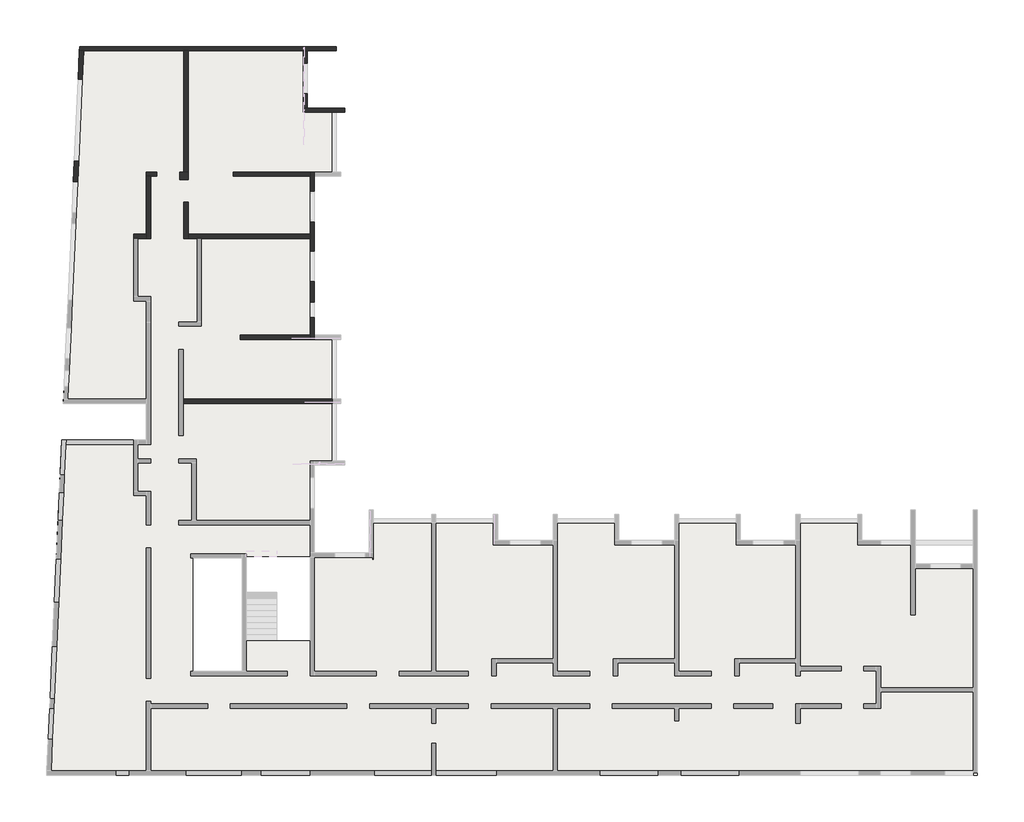
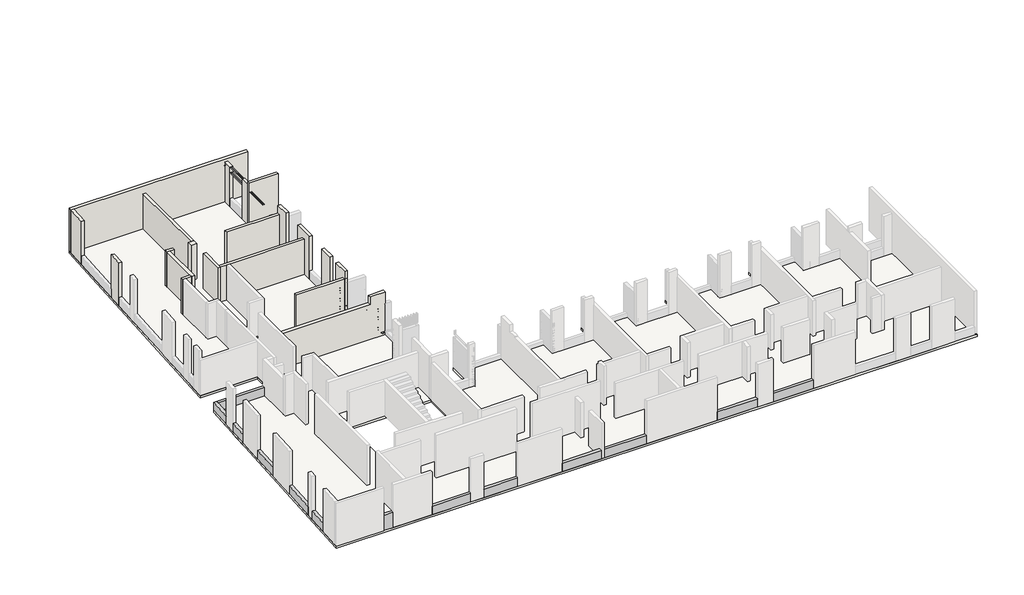
# One storey, part 3 of 7: 20 walls, 13 beams, 1 slab.
"""IFC4 building model written with IfcOpenShell, lengths in millimetres."""

from ifc_helpers import new_model, si_unit, frame, origin, place, context, project, spatial, polyline, outline, extrude, faceted_brep, element, save

model = new_model("IFC4")

# Units and contexts
model_context = context("Model", 3, world=origin())
ifc_project = project(units=[si_unit("LENGTHUNIT", "METRE", prefix="MILLI")], contexts=[model_context])

# Site, building, storey
site = spatial("IfcSite", under=ifc_project)
building = spatial("IfcBuilding", under=site)
storey = spatial("IfcBuildingStorey", under=building, Elevation=19880.0)

# Beams
placement = place(None, origin())
element("IfcBeam", 1, ObjectType="VI. 20/125", at=placement, inside=storey, context=model_context, shape_type="SweptSolid", body=[
    extrude(outline(polyline([(-38350.6912908, -16419.0672499), (-38350.6912908, -16219.0672499), (-37760.6912908, -16219.0672499), (-37760.6912908, -16419.0672499), (-38350.6912908, -16419.0672499)])), frame((0.0, 0.0, 19880.0), z_axis=(0.0, 0.0, 1.0), x_axis=(1.0, 0.0, 0.0)), (0.0, 0.0, 1.0), 1100.0),
])
element("IfcBeam", 2, ObjectType="VI. 20/75", at=placement, inside=storey, context=model_context, shape_type="SweptSolid", body=[
    extrude(outline(polyline([(-41467.4470985, -13297.689544), (-41267.6525789, -13306.7532049), (-41332.9109371, -14745.2737458), (-41532.7054566, -14736.2100849), (-41467.4470985, -13297.689544)])), frame((0.0, 0.0, 19880.0), z_axis=(0.0, 0.0, 1.0), x_axis=(1.0, 0.0, 0.0)), (0.0, 0.0, 1.0), 600.0),
])
element("IfcBeam", 3, ObjectType="VI. 20/75", at=placement, inside=storey, context=model_context, shape_type="SweptSolid", body=[
    extrude(outline(polyline([(-41246.1263843, -12832.2412209), (-41445.9209039, -12823.17756), (-41334.8458454, -10374.6980441), (-41135.0513258, -10383.7617049), (-41246.1263843, -12832.2412209)])), frame((0.0, 0.0, 19880.0), z_axis=(0.0, 0.0, 1.0), x_axis=(1.0, 0.0, 0.0)), (0.0, 0.0, 1.0), 600.0),
])
element("IfcBeam", 4, ObjectType="VI. 20/75", at=placement, inside=storey, context=model_context, shape_type="SweptSolid", body=[
    extrude(outline(polyline([(-41149.2673893, -6283.9052558), (-40949.4728698, -6292.9689167), (-41041.9222105, -8330.8730163), (-41241.7167301, -8321.8093555), (-41149.2673893, -6283.9052558)])), frame((0.0, 0.0, 19880.0), z_axis=(0.0, 0.0, 1.0), x_axis=(1.0, 0.0, 0.0)), (0.0, 0.0, 1.0), 600.0),
])
element("IfcBeam", 5, ObjectType="VI. 20/75", at=placement, inside=storey, context=model_context, shape_type="Brep", body=[
    faceted_brep([(-40807.7955758, -3171.182161, 19730.0), (-41007.5900954, -3162.1185002, 19730.0), (-41007.5900954, -3162.1185002, 19880.0), (-41007.5900954, -3162.1185002, 20480.0), (-40807.7955758, -3171.182161, 20480.0), (-40807.7955758, -3171.182161, 19880.0), (-40867.389146, -4484.8311272, 20480.0), (-41067.1836655, -4475.7674664, 20480.0), (-41067.1836655, -4475.7674664, 19730.0), (-40867.389146, -4484.8311272, 19730.0)], [[[0, 1, 2, 3, 4, 5]], [[6, 7, 8, 9]], [[6, 9, 0, 5, 4]], [[1, 0, 9, 8]], [[8, 7, 3, 2, 1]], [[4, 3, 7, 6]]]),
])
element("IfcBeam", 6, ObjectType="VI. 20/75", at=placement, inside=storey, context=model_context, shape_type="Brep", body=[
    faceted_brep([(-40970.0334959, -2332.9686312, 19730.0), (-40770.2389763, -2342.0322921, 19730.0), (-40770.2389763, -2342.0322921, 19880.0), (-40770.2389763, -2342.0322921, 20480.0), (-40970.0334959, -2332.9686312, 20480.0), (-40970.0334959, -2332.9686312, 19880.0), (-40896.5921767, -714.0672499, 20480.0), (-40896.5921767, -714.0672499, 19730.0), (-40696.3864849, -714.0672499, 19730.0), (-40696.3864849, -714.0672499, 19880.0), (-40696.3864849, -714.0672499, 20480.0), (-40705.4594674, -914.0672499, 20480.0)], [[[0, 1, 2, 3, 4, 5]], [[5, 4, 6, 7, 0]], [[1, 0, 7, 8]], [[2, 1, 8, 9, 10, 11, 3]], [[4, 3, 11, 10, 6]], [[7, 6, 10, 9, 8]]]),
])
element("IfcBeam", 7, ObjectType="VI. 20/75", at=placement, inside=storey, context=model_context, shape_type="SweptSolid", body=[
    extrude(outline(polyline([(-32455.6912908, -16219.0672499), (-32455.6912908, -16419.0672499), (-35095.6912908, -16419.0672499), (-35095.6912908, -16219.0672499), (-32455.6912908, -16219.0672499)])), frame((0.0, 0.0, 19880.0), z_axis=(0.0, 0.0, 1.0), x_axis=(1.0, 0.0, 0.0)), (0.0, 0.0, 1.0), 600.0),
])
element("IfcBeam", 8, ObjectType="VI. 20/75", at=placement, inside=storey, context=model_context, shape_type="SweptSolid", body=[
    extrude(outline(polyline([(-29265.6912908, -16219.0672499), (-29265.6912908, -16419.0672499), (-31585.6912908, -16419.0672499), (-31585.6912908, -16219.0672499), (-29265.6912908, -16219.0672499)])), frame((0.0, 0.0, 19880.0), z_axis=(0.0, 0.0, 1.0), x_axis=(1.0, 0.0, 0.0)), (0.0, 0.0, 1.0), 600.0),
])
element("IfcBeam", 9, ObjectType="VI. 20/75", at=placement, inside=storey, context=model_context, shape_type="SweptSolid", body=[
    extrude(outline(polyline([(-23575.6912908, -16219.0672499), (-23575.6912908, -16419.0672499), (-26255.6912908, -16419.0672499), (-26255.6912908, -16219.0672499), (-23575.6912908, -16219.0672499)])), frame((0.0, 0.0, 19880.0), z_axis=(0.0, 0.0, 1.0), x_axis=(1.0, 0.0, 0.0)), (0.0, 0.0, 1.0), 600.0),
])
element("IfcBeam", 10, ObjectType="VI. 20/75", at=placement, inside=storey, context=model_context, shape_type="SweptSolid", body=[
    extrude(outline(polyline([(-20515.6912908, -16219.0672499), (-20515.6912908, -16419.0672499), (-23375.6912908, -16419.0672499), (-23375.6912908, -16219.0672499), (-20515.6912908, -16219.0672499)])), frame((0.0, 0.0, 19880.0), z_axis=(0.0, 0.0, 1.0), x_axis=(1.0, 0.0, 0.0)), (0.0, 0.0, 1.0), 600.0),
])
element("IfcBeam", 11, ObjectType="VI. 20/75", at=placement, inside=storey, context=model_context, shape_type="SweptSolid", body=[
    extrude(outline(polyline([(-15705.6912908, -16419.0672499), (-15705.6912908, -16219.0672499), (-12965.6912908, -16219.0672499), (-12965.6912908, -16419.0672499), (-15705.6912908, -16419.0672499)])), frame((0.0, 0.0, 19880.0), z_axis=(0.0, 0.0, 1.0), x_axis=(1.0, 0.0, 0.0)), (0.0, 0.0, 1.0), 600.0),
])
element("IfcBeam", 12, ObjectType="VI. 20/75", at=placement, inside=storey, context=model_context, shape_type="SweptSolid", body=[
    extrude(outline(polyline([(-11895.6912908, -16419.0672499), (-11895.6912908, -16219.0672499), (-9155.6912908, -16219.0672499), (-9155.6912908, -16419.0672499), (-11895.6912908, -16419.0672499)])), frame((0.0, 0.0, 19880.0), z_axis=(0.0, 0.0, 1.0), x_axis=(1.0, 0.0, 0.0)), (0.0, 0.0, 1.0), 600.0),
])
element("IfcBeam", 13, ObjectType="VI. 20/75", at=placement, inside=storey, context=model_context, shape_type="SweptSolid", body=[
    extrude(outline(polyline([(-37535.6912908, -714.0672499), (-37535.6912908, -914.0672499), (-40705.4594674, -914.0672499), (-40696.3864849, -714.0672499), (-37535.6912908, -714.0672499)])), frame((0.0, 0.0, 19880.0), z_axis=(0.0, 0.0, 1.0), x_axis=(1.0, 0.0, 0.0)), (0.0, 0.0, 1.0), 600.0),
])

# Slab
element("IfcSlab", 14, ObjectType="LHA15", at=placement, inside=storey, context=model_context, shape_type="Brep", body=[
    faceted_brep([(-40059.8363693, 17730.9327501, 19730.0), (-40059.8363693, 17730.9327501, 19880.0), (-29395.6912908, 17730.9327501, 19880.0), (-29395.6912908, 17730.9327501, 19730.0), (-29395.6912908, 16950.9327501, 19880.0), (-29395.6912908, 15510.9327501, 19880.0), (-29395.6912908, 14850.8982988, 19880.0), (-29395.6912908, 14850.8982988, 19730.0), (-27635.6912908, 14850.8982988, 19880.0), (-27635.6912908, 14850.8982988, 19730.0), (-28035.6912908, 14650.9327501, 19730.0), (-28035.6912908, 14650.9327501, 19880.0), (-28035.6912908, 11850.9327501, 19880.0), (-28035.6912908, 11850.9327501, 19730.0), (-27835.6912908, 11650.9327501, 19730.0), (-27835.6912908, 11650.9327501, 19880.0), (-29065.6912908, 11650.9327501, 19880.0), (-29065.6912908, 11650.9327501, 19730.0), (-29065.6912908, 10925.9327501, 19880.0), (-29065.6912908, 9535.9327501, 19880.0), (-29065.6912908, 8150.9327501, 19880.0), (-29065.6912908, 6710.9327501, 19880.0), (-29065.6912908, 5760.9327501, 19880.0), (-29065.6912908, 5020.9327501, 19880.0), (-29065.6912908, 4200.9327501, 19880.0), (-29065.6912908, 4200.9327501, 19730.0), (-27835.6912908, 4200.9327501, 19880.0), (-27835.6912908, 4200.9327501, 19730.0), (-28035.6912908, 1000.9327501, 19730.0), (-28035.6912908, 1000.9327501, 19880.0), (-28035.6912908, -1689.5482142, 19880.0), (-28035.6912908, -1689.5482142, 19730.0), (-29065.6912908, -1889.5482142, 19730.0), (-29065.6912908, -1889.5482142, 19880.0), (-29065.6912908, -2469.0672499, 19880.0), (-29065.6912908, -3909.0672499, 19880.0), (-29065.6912908, -6004.0672499, 19880.0), (-29065.6912908, -6004.0672499, 19730.0), (-28115.6912908, -6004.0672499, 19880.0), (-26675.6912908, -6004.0672499, 19880.0), (-26495.6912908, -6004.0672499, 19880.0), (-26495.6912908, -6004.0672499, 19730.0), (-26495.6912908, -3999.0672499, 19880.0), (-26495.6912908, -3999.0672499, 19730.0), (-26295.6912908, -4399.0672499, 19730.0), (-26295.6912908, -4399.0672499, 19880.0), (-23575.6912908, -4399.0672499, 19880.0), (-23575.6912908, -4399.0672499, 19730.0), (-20485.6912908, -4199.0672499, 19730.0), (-20485.6912908, -4199.0672499, 19880.0), (-20485.6912908, -5419.0672499, 19880.0), (-20485.6912908, -5419.0672499, 19730.0), (-19905.6912908, -5419.0672499, 19880.0), (-18465.6912908, -5419.0672499, 19880.0), (-17885.6912908, -5419.0672499, 19880.0), (-17885.6912908, -5419.0672499, 19730.0), (-17885.6912908, -4199.0672499, 19880.0), (-17885.6912908, -4199.0672499, 19730.0), (-17685.6912908, -4399.0672499, 19730.0), (-17685.6912908, -4399.0672499, 19880.0), (-14995.6912908, -4399.0672499, 19880.0), (-14995.6912908, -4399.0672499, 19730.0), (-14795.6912908, -4199.0672499, 19730.0), (-14795.6912908, -4199.0672499, 19880.0), (-14795.6912908, -5419.0672499, 19880.0), (-14795.6912908, -5419.0672499, 19730.0), (-14215.6912908, -5419.0672499, 19880.0), (-12775.6912908, -5419.0672499, 19880.0), (-12195.6912908, -5419.0672499, 19880.0), (-12195.6912908, -5419.0672499, 19730.0), (-12195.6912908, -4199.0672499, 19880.0), (-12195.6912908, -4199.0672499, 19730.0), (-11995.6912908, -4399.0672499, 19730.0), (-11995.6912908, -4399.0672499, 19880.0), (-9305.6912908, -4399.0672499, 19880.0), (-9305.6912908, -4399.0672499, 19730.0), (-9105.6912908, -4199.0672499, 19730.0), (-9105.6912908, -4199.0672499, 19880.0), (-9105.6912908, -5419.0672499, 19880.0), (-9105.6912908, -5419.0672499, 19730.0), (-8525.6912908, -5419.0672499, 19880.0), (-7085.6912908, -5419.0672499, 19880.0), (-6505.6912908, -5419.0672499, 19880.0), (-6505.6912908, -5419.0672499, 19730.0), (-6505.6912908, -4199.0672499, 19880.0), (-6505.6912908, -4199.0672499, 19730.0), (-6305.6912908, -4399.0672499, 19730.0), (-6305.6912908, -4399.0672499, 19880.0), (-3615.6912908, -4399.0672499, 19880.0), (-3615.6912908, -4399.0672499, 19730.0), (-3415.6912908, -4199.0672499, 19730.0), (-3415.6912908, -4199.0672499, 19880.0), (-3415.6912908, -5419.0672499, 19880.0), (-3415.6912908, -5419.0672499, 19730.0), (-2545.6912908, -5419.0672499, 19880.0), (-1125.6912908, -5419.0672499, 19880.0), (-925.6912908, -5419.0672499, 19880.0), (-925.6912908, -5419.0672499, 19730.0), (-925.6912908, -6519.0672499, 19880.0), (-925.6912908, -6519.0672499, 19730.0), (-925.6912908, -5619.0672499, 19730.0), (-200.6912908, -6519.0672499, 19880.0), (1189.3087092, -6519.0672499, 19880.0), (1994.3087092, -6519.0672499, 19880.0), (1994.3087092, -6519.0672499, 19730.0), (1994.3087092, -16419.0672499, 19880.0), (1994.3087092, -16419.0672499, 19730.0), (-32245.6912908, -10104.0672499, 19730.0), (-32245.6912908, -10104.0672499, 19880.0), (-29265.6912908, -10104.0672499, 19880.0), (-29265.6912908, -10104.0672499, 19730.0), (-29265.6912908, -6184.0672499, 19880.0), (-29265.6912908, -6184.0672499, 19730.0), (-32245.6912908, -6184.0672499, 19880.0), (-32245.6912908, -6184.0672499, 19730.0), (-32245.6912908, -6244.0672499, 19880.0), (-32245.6912908, -6244.0672499, 19730.0), (-34745.6912908, -6244.0672499, 19880.0), (-34745.6912908, -6244.0672499, 19730.0), (-34745.6912908, -11559.0672499, 19880.0), (-34745.6912908, -11559.0672499, 19730.0), (-32245.6912908, -11559.0672499, 19880.0), (-32245.6912908, -11559.0672499, 19730.0), (-27635.6912908, -1889.5482142, 19730.0), (-27635.6912908, -1889.5482142, 19880.0), (-3615.6912908, -4199.0672499, 19880.0), (-6305.6912908, -4199.0672499, 19880.0), (-9305.6912908, -4199.0672499, 19880.0), (-11995.6912908, -4199.0672499, 19880.0), (-14995.6912908, -4199.0672499, 19880.0), (-17685.6912908, -4199.0672499, 19880.0), (-20685.6912908, -4199.0672499, 19880.0), (-20685.6912908, -4399.0672499, 19880.0), (-23375.6912908, -4399.0672499, 19880.0), (-23375.6912908, -4199.0672499, 19880.0), (-23575.6912908, -4199.0672499, 19880.0), (-26295.6912908, -3999.0672499, 19880.0), (-27635.6912908, -1689.5482142, 19880.0), (-27835.6912908, 1000.9327501, 19880.0), (-27835.6912908, 1200.9327501, 19880.0), (-28035.6912908, 1200.9327501, 19880.0), (-28035.6912908, 4000.9327501, 19880.0), (-27835.6912908, 4000.9327501, 19880.0), (-27835.6912908, 11850.9327501, 19880.0), (-27635.6912908, 14650.9327501, 19880.0), (-40129.6522242, 16191.9491766, 19880.0), (-40303.6745126, 12355.8944008, 19880.0), (-40347.1800848, 11396.8807068, 19880.0), (-40412.4384429, 9958.3601659, 19880.0), (-40436.6837357, 9423.909826, 19880.0), (-40598.016899, 5867.5673776, 19880.0), (-40658.0636522, 4543.9286854, 19880.0), (-40723.3220104, 3105.4081445, 19880.0), (-40748.9268523, 2540.9886267, 19880.0), (-40782.4623975, 1801.7489043, 19880.0), (-40818.7913521, 1000.9327501, 19880.0), (-36935.6912908, 1000.9327501, 19880.0), (-36935.6912908, -714.0672499, 19880.0), (-37535.6912908, -714.0672499, 19880.0), (-40696.3864849, -714.0672499, 19880.0), (-40896.5921767, -714.0672499, 19880.0), (-41149.2673893, -6283.9052558, 19880.0), (-41241.7167301, -8321.8093555, 19880.0), (-41334.8458454, -10374.6980441, 19880.0), (-41445.9209039, -12823.17756, 19880.0), (-41467.4470985, -13297.689544, 19880.0), (-41532.7054566, -14736.2100849, 19880.0), (-41609.0481243, -16419.0672499, 19880.0), (-38350.6912908, -16419.0672499, 19880.0), (-37760.6912908, -16419.0672499, 19880.0), (-35095.6912908, -16419.0672499, 19880.0), (-32455.6912908, -16419.0672499, 19880.0), (-31585.6912908, -16419.0672499, 19880.0), (-29265.6912908, -16419.0672499, 19880.0), (-26255.6912908, -16419.0672499, 19880.0), (-23575.6912908, -16419.0672499, 19880.0), (-23375.6912908, -16419.0672499, 19880.0), (-20515.6912908, -16419.0672499, 19880.0), (-15705.6912908, -16419.0672499, 19880.0), (-12965.6912908, -16419.0672499, 19880.0), (-11895.6912908, -16419.0672499, 19880.0), (-9155.6912908, -16419.0672499, 19880.0), (-6305.6912908, -16419.0672499, 19880.0), (-3570.6912908, -16419.0672499, 19880.0), (-2555.6912908, -16419.0672499, 19880.0), (-1125.6912908, -16419.0672499, 19880.0), (464.3087092, -16419.0672499, 19880.0), (1794.3087092, -16419.0672499, 19880.0), (-41609.0481243, -16419.0672499, 19730.0), (-40896.5921767, -714.0672499, 19730.0), (-36935.6912908, -714.0672499, 19730.0), (-36935.6912908, 1000.9327501, 19730.0), (-40818.7913521, 1000.9327501, 19730.0), (-27635.6912908, 14650.9327501, 19730.0), (-27835.6912908, 11850.9327501, 19730.0), (-27835.6912908, 4000.9327501, 19730.0), (-28035.6912908, 4000.9327501, 19730.0), (-28035.6912908, 1200.9327501, 19730.0), (-27835.6912908, 1200.9327501, 19730.0), (-27835.6912908, 1000.9327501, 19730.0), (-27635.6912908, -1689.5482142, 19730.0), (-26295.6912908, -3999.0672499, 19730.0), (-23575.6912908, -4199.0672499, 19730.0), (-23375.6912908, -4199.0672499, 19730.0), (-23375.6912908, -4399.0672499, 19730.0), (-20685.6912908, -4399.0672499, 19730.0), (-20685.6912908, -4199.0672499, 19730.0), (-17685.6912908, -4199.0672499, 19730.0), (-14995.6912908, -4199.0672499, 19730.0), (-11995.6912908, -4199.0672499, 19730.0), (-9305.6912908, -4199.0672499, 19730.0), (-6305.6912908, -4199.0672499, 19730.0), (-3615.6912908, -4199.0672499, 19730.0)], [[[0, 1, 2, 3]], [[3, 2, 4, 5, 6, 7]], [[7, 6, 8, 9]], [[10, 11, 12, 13]], [[14, 15, 16, 17]], [[17, 16, 18, 19, 20, 21, 22, 23, 24, 25]], [[25, 24, 26, 27]], [[28, 29, 30, 31]], [[32, 33, 34, 35, 36, 37]], [[37, 36, 38, 39, 40, 41]], [[41, 40, 42, 43]], [[44, 45, 46, 47]], [[48, 49, 50, 51]], [[51, 50, 52, 53, 54, 55]], [[55, 54, 56, 57]], [[58, 59, 60, 61]], [[62, 63, 64, 65]], [[65, 64, 66, 67, 68, 69]], [[69, 68, 70, 71]], [[72, 73, 74, 75]], [[76, 77, 78, 79]], [[79, 78, 80, 81, 82, 83]], [[83, 82, 84, 85]], [[86, 87, 88, 89]], [[90, 91, 92, 93]], [[93, 92, 94, 95, 96, 97]], [[97, 96, 98, 99, 100]], [[99, 98, 101, 102, 103, 104]], [[104, 103, 105, 106]], [[107, 108, 109, 110]], [[110, 109, 111, 112]], [[112, 111, 113, 114]], [[114, 113, 115, 116]], [[116, 115, 117, 118]], [[118, 117, 119, 120]], [[120, 119, 121, 122]], [[122, 121, 108, 107]], [[123, 124, 33, 32]], [[103, 102, 101, 98, 96, 95, 94, 92, 91, 125, 88, 87, 126, 84, 82, 81, 80, 78, 77, 127, 74, 73, 128, 70, 68, 67, 66, 64, 63, 129, 60, 59, 130, 56, 54, 53, 52, 50, 49, 131, 132, 133, 134, 135, 46, 45, 136, 42, 40, 39, 38, 36, 35, 34, 33, 124, 137, 30, 29, 138, 139, 140, 141, 142, 26, 24, 23, 22, 21, 20, 19, 18, 16, 15, 143, 12, 11, 144, 8, 6, 5, 4, 2, 1, 145, 146, 147, 148, 149, 150, 151, 152, 153, 154, 155, 156, 157, 158, 159, 160, 161, 162, 163, 164, 165, 166, 167, 168, 169, 170, 171, 172, 173, 174, 175, 176, 177, 178, 179, 180, 181, 182, 183, 184, 185, 186, 187, 105], [119, 117, 115, 113, 111, 109, 108, 121]], [[104, 106, 188, 189, 190, 191, 192, 0, 3, 7, 9, 193, 10, 13, 194, 14, 17, 25, 27, 195, 196, 197, 198, 199, 28, 31, 200, 123, 32, 37, 41, 43, 201, 44, 47, 202, 203, 204, 205, 206, 48, 51, 55, 57, 207, 58, 61, 208, 62, 65, 69, 71, 209, 72, 75, 210, 76, 79, 83, 85, 211, 86, 89, 212, 90, 93, 97, 100, 99], [120, 122, 107, 110, 112, 114, 116, 118]], [[106, 105, 187, 186, 185, 184, 183, 182, 181, 180, 179, 178, 177, 176, 175, 174, 173, 172, 171, 170, 169, 168, 167, 188]], [[189, 160, 159, 158, 157, 190]], [[190, 157, 156, 191]], [[191, 156, 155, 192]], [[192, 155, 154, 153, 152, 151, 150, 149, 148, 147, 146, 145, 1, 0]], [[9, 8, 144, 193]], [[193, 144, 11, 10]], [[13, 12, 143, 194]], [[194, 143, 15, 14]], [[27, 26, 142, 195]], [[195, 142, 141, 196]], [[196, 141, 140, 197]], [[197, 140, 139, 198]], [[198, 139, 138, 199]], [[199, 138, 29, 28]], [[31, 30, 137, 200]], [[200, 137, 124, 123]], [[43, 42, 136, 201]], [[201, 136, 45, 44]], [[47, 46, 135, 202]], [[202, 135, 134, 203]], [[203, 134, 133, 204]], [[204, 133, 132, 205]], [[205, 132, 131, 206]], [[206, 131, 49, 48]], [[57, 56, 130, 207]], [[207, 130, 59, 58]], [[61, 60, 129, 208]], [[208, 129, 63, 62]], [[71, 70, 128, 209]], [[209, 128, 73, 72]], [[75, 74, 127, 210]], [[210, 127, 77, 76]], [[85, 84, 126, 211]], [[211, 126, 87, 86]], [[89, 88, 125, 212]], [[212, 125, 91, 90]], [[188, 167, 166, 165, 164, 163, 162, 161, 160, 189]]]),
])

# Walls
element("IfcWall", 15, ObjectType="MHA20", at=placement, inside=storey, context=model_context, shape_type="Brep", body=[
    faceted_brep([(-29395.6912908, 16950.9327501, 19880.0), (-29395.6912908, 17530.9327501, 19880.0), (-29395.6912908, 17530.9327501, 22750.0), (-29395.6912908, 16950.9327501, 22750.0), (-29395.6912908, 16950.9327501, 22410.0), (-29395.6912908, 16950.9327501, 20480.0), (-29595.6912908, 16950.9327501, 19880.0), (-29595.6912908, 16950.9327501, 20480.0), (-29595.6912908, 16950.9327501, 22410.0), (-29595.6912908, 16950.9327501, 22750.0), (-29595.6912908, 17530.9327501, 22750.0), (-29595.6912908, 17530.9327501, 19880.0)], [[[0, 1, 2, 3, 4, 5]], [[6, 7, 8, 9, 10, 11]], [[1, 0, 6, 11]], [[3, 2, 10, 9]], [[0, 5, 4, 3, 9, 8, 7, 6]], [[2, 1, 11, 10]]]),
])
element("IfcWall", 16, ObjectType="MHA20", at=placement, inside=storey, context=model_context, shape_type="Brep", body=[
    faceted_brep([(-35205.6912908, 1000.9327501, 19880.0), (-28235.6912908, 1000.9327501, 19880.0), (-28235.6912908, 1000.9327501, 22110.0), (-28235.6912908, 1000.9327501, 22953.7062937), (-29065.6912908, 1000.9327501, 22945.0), (-29265.6912908, 1000.9327501, 22942.9020979), (-29265.6912908, 1000.9327501, 22410.0), (-35205.6912908, 1000.9327501, 22410.0), (-35205.6912908, 1200.9327501, 19880.0), (-35205.6912908, 1200.9327501, 22410.0), (-29265.6912908, 1200.9327501, 22410.0), (-29265.6912908, 1200.9327501, 22942.9020979), (-29065.6912908, 1200.9327501, 22945.0), (-28235.6912908, 1200.9327501, 22953.7062937), (-28235.6912908, 1200.9327501, 22110.0), (-28235.6912908, 1200.9327501, 19880.0)], [[[0, 1, 2, 3, 4, 5, 6, 7]], [[8, 9, 10, 11, 12, 13, 14, 15]], [[0, 7, 9, 8]], [[1, 0, 8, 15]], [[3, 2, 1, 15, 14, 13]], [[7, 6, 10, 9]], [[5, 4, 3, 13, 12, 11]], [[6, 5, 11, 10]]]),
])
element("IfcWall", 17, ObjectType="MHA20", at=placement, inside=storey, context=model_context, shape_type="Brep", body=[
    faceted_brep([(-29065.6912908, 4000.9327501, 19880.0), (-29065.6912908, 4200.9327501, 19880.0), (-29065.6912908, 5020.9327501, 19880.0), (-29065.6912908, 5020.9327501, 20480.0), (-29065.6912908, 5020.9327501, 22410.0), (-29065.6912908, 5020.9327501, 22945.0), (-29065.6912908, 4000.9327501, 22945.0), (-29065.6912908, 4000.9327501, 22410.0), (-29065.6912908, 4000.9327501, 22110.0), (-29265.6912908, 4000.9327501, 19880.0), (-29265.6912908, 4000.9327501, 22410.0), (-29265.6912908, 4000.9327501, 22945.0), (-29265.6912908, 5020.9327501, 22945.0), (-29265.6912908, 5020.9327501, 22410.0), (-29265.6912908, 5020.9327501, 20480.0), (-29265.6912908, 5020.9327501, 19880.0), (-29265.6912908, 4200.9327501, 19880.0)], [[[0, 1, 2, 3, 4, 5, 6, 7, 8]], [[9, 10, 11, 12, 13, 14, 15, 16]], [[2, 1, 0, 9, 16, 15]], [[5, 4, 3, 2, 15, 14, 13, 12]], [[6, 5, 12, 11]], [[7, 6, 11, 10]], [[0, 8, 7, 10, 9]]]),
])
element("IfcWall", 18, ObjectType="MHA20", at=placement, inside=storey, context=model_context, shape_type="Brep", body=[
    faceted_brep([(-29065.6912908, 5760.9327501, 19880.0), (-29065.6912908, 6710.9327501, 19880.0), (-29065.6912908, 6710.9327501, 20480.0), (-29065.6912908, 6710.9327501, 22410.0), (-29065.6912908, 6710.9327501, 22945.0), (-29065.6912908, 5760.9327501, 22945.0), (-29065.6912908, 5760.9327501, 22410.0), (-29065.6912908, 5760.9327501, 20480.0), (-29265.6912908, 5760.9327501, 19880.0), (-29265.6912908, 5760.9327501, 20480.0), (-29265.6912908, 5760.9327501, 22410.0), (-29265.6912908, 5760.9327501, 22945.0), (-29265.6912908, 6710.9327501, 22945.0), (-29265.6912908, 6710.9327501, 22410.0), (-29265.6912908, 6710.9327501, 20480.0), (-29265.6912908, 6710.9327501, 19880.0)], [[[0, 1, 2, 3, 4, 5, 6, 7]], [[8, 9, 10, 11, 12, 13, 14, 15]], [[1, 0, 8, 15]], [[4, 3, 2, 1, 15, 14, 13, 12]], [[5, 4, 12, 11]], [[0, 7, 6, 5, 11, 10, 9, 8]]]),
])
element("IfcWall", 19, ObjectType="MHA20", at=placement, inside=storey, context=model_context, shape_type="Brep", body=[
    faceted_brep([(-29065.6912908, 8150.9327501, 19880.0), (-29065.6912908, 9510.9327501, 19880.0), (-29065.6912908, 9510.9327501, 22945.0), (-29065.6912908, 8150.9327501, 22945.0), (-29065.6912908, 8150.9327501, 22410.0), (-29065.6912908, 8150.9327501, 20480.0), (-29265.6912908, 8150.9327501, 19880.0), (-29265.6912908, 8150.9327501, 20480.0), (-29265.6912908, 8150.9327501, 22410.0), (-29265.6912908, 8150.9327501, 22945.0), (-29265.6912908, 9510.9327501, 22945.0), (-29265.6912908, 9510.9327501, 19880.0), (-29265.6912908, 8930.9327501, 19880.0), (-29265.6912908, 8730.9327501, 19880.0)], [[[0, 1, 2, 3, 4, 5]], [[6, 7, 8, 9, 10, 11, 12, 13]], [[1, 0, 6, 13, 12, 11]], [[2, 1, 11, 10]], [[3, 2, 10, 9]], [[0, 5, 4, 3, 9, 8, 7, 6]]]),
])
element("IfcWall", 20, ObjectType="MHA20", at=placement, inside=storey, context=model_context, shape_type="Brep", body=[
    faceted_brep([(-29065.6912908, 10950.9327501, 19880.0), (-29065.6912908, 11650.9327501, 19880.0), (-29065.6912908, 11850.9327501, 19880.0), (-29065.6912908, 11850.9327501, 22110.0), (-29065.6912908, 11850.9327501, 22410.0), (-29065.6912908, 11850.9327501, 22945.0), (-29065.6912908, 10950.9327501, 22945.0), (-29265.6912908, 10950.9327501, 19880.0), (-29265.6912908, 10950.9327501, 22945.0), (-29265.6912908, 11850.9327501, 22945.0), (-29265.6912908, 11850.9327501, 22410.0), (-29265.6912908, 11850.9327501, 19880.0), (-29265.6912908, 11650.9327501, 19880.0)], [[[0, 1, 2, 3, 4, 5, 6]], [[7, 8, 9, 10, 11, 12]], [[2, 1, 0, 7, 12, 11]], [[6, 5, 9, 8]], [[0, 6, 8, 7]], [[5, 4, 3, 2, 11, 10, 9]]]),
])
element("IfcWall", 21, ObjectType="MHA20", at=placement, inside=storey, context=model_context, shape_type="Brep", body=[
    faceted_brep([(-29595.6912908, 15510.9327501, 19880.0), (-29595.6912908, 14850.9327501, 19880.0), (-29595.6912908, 14850.9327501, 22750.0), (-29595.6912908, 15510.9327501, 22750.0), (-29595.6912908, 15510.9327501, 22410.0), (-29595.6912908, 15510.9327501, 20480.0), (-29395.6912908, 15510.9327501, 19880.0), (-29395.6912908, 15510.9327501, 20480.0), (-29395.6912908, 15510.9327501, 22410.0), (-29395.6912908, 15510.9327501, 22750.0), (-29395.6912908, 14850.9327501, 22750.0), (-29395.6912908, 14850.9327501, 19880.0)], [[[0, 1, 2, 3, 4, 5]], [[6, 7, 8, 9, 10, 11]], [[1, 0, 6, 11]], [[2, 1, 11, 10]], [[3, 2, 10, 9]], [[0, 5, 4, 3, 9, 8, 7, 6]]]),
])
element("IfcWall", 22, ObjectType="MHA20", at=placement, inside=storey, context=model_context, shape_type="SweptSolid", body=[
    extrude(outline(polyline([(-35175.6912908, 11850.9327501), (-35175.6912908, 17530.9327501), (-34975.6912908, 17530.9327501), (-34975.6912908, 11850.9327501), (-35175.6912908, 11850.9327501)])), frame((0.0, 0.0, 19880.0), z_axis=(0.0, 0.0, 1.0), x_axis=(1.0, 0.0, 0.0)), (0.0, 0.0, 1.0), 2530.0),
])
element("IfcWall", 23, ObjectType="MHA20", at=placement, inside=storey, context=model_context, shape_type="Brep", body=[
    faceted_brep([(-35175.6912908, 10430.9327501, 19880.0), (-35175.6912908, 8730.9327501, 19880.0), (-35175.6912908, 8730.9327501, 22410.0), (-35175.6912908, 10430.9327501, 22410.0), (-34975.6912908, 10430.9327501, 19880.0), (-34975.6912908, 10430.9327501, 22410.0), (-34975.6912908, 8930.9327501, 22410.0), (-34975.6912908, 8730.9327501, 22410.0), (-34975.6912908, 8730.9327501, 19880.0), (-34975.6912908, 8930.9327501, 19880.0)], [[[0, 1, 2, 3]], [[4, 5, 6, 7, 8, 9]], [[1, 0, 4, 9, 8]], [[3, 2, 7, 6, 5]], [[0, 3, 5, 4]], [[2, 1, 8, 7]]]),
])
element("IfcWall", 24, ObjectType="MHA20", at=placement, inside=storey, context=model_context, shape_type="Brep", body=[
    faceted_brep([(-36735.6912908, 8730.9327501, 19880.0), (-36735.6912908, 11650.9327501, 19880.0), (-36735.6912908, 11650.9327501, 22410.0), (-36735.6912908, 8730.9327501, 22410.0), (-36935.6912908, 8730.9327501, 19880.0), (-36935.6912908, 8730.9327501, 22410.0), (-36935.6912908, 8930.9327501, 22410.0), (-36935.6912908, 11650.9327501, 22410.0), (-36935.6912908, 11650.9327501, 19880.0), (-36935.6912908, 8930.9327501, 19880.0)], [[[0, 1, 2, 3]], [[4, 5, 6, 7, 8, 9]], [[1, 0, 4, 9, 8]], [[3, 2, 7, 6, 5]], [[0, 3, 5, 4]], [[2, 1, 8, 7]]]),
])
element("IfcWall", 25, ObjectType="MHA20", at=placement, inside=storey, context=model_context, shape_type="Brep", body=[
    faceted_brep([(-36935.6912908, 8930.9327501, 19880.0), (-37535.6912908, 8930.9327501, 19880.0), (-37535.6912908, 8930.9327501, 22410.0), (-36935.6912908, 8930.9327501, 22410.0), (-36935.6912908, 8730.9327501, 19880.0), (-36935.6912908, 8730.9327501, 22410.0), (-37335.6912908, 8730.9327501, 22410.0), (-37535.6912908, 8730.9327501, 22410.0), (-37535.6912908, 8730.9327501, 19880.0), (-37335.6912908, 8730.9327501, 19880.0)], [[[0, 1, 2, 3]], [[4, 5, 6, 7, 8, 9]], [[1, 0, 4, 9, 8]], [[3, 2, 7, 6, 5]], [[0, 3, 5, 4]], [[2, 1, 8, 7]]]),
])
element("IfcWall", 26, ObjectType="MHA20", at=placement, inside=storey, context=model_context, shape_type="Brep", body=[
    faceted_brep([(-36435.6912908, 11850.9327501, 19880.0), (-36935.6912908, 11850.9327501, 19880.0), (-36935.6912908, 11850.9327501, 22410.0), (-36435.6912908, 11850.9327501, 22410.0), (-36435.6912908, 11650.9327501, 19880.0), (-36435.6912908, 11650.9327501, 22410.0), (-36735.6912908, 11650.9327501, 22410.0), (-36935.6912908, 11650.9327501, 22410.0), (-36935.6912908, 11650.9327501, 19880.0), (-36735.6912908, 11650.9327501, 19880.0)], [[[0, 1, 2, 3]], [[4, 5, 6, 7, 8, 9]], [[1, 0, 4, 9, 8]], [[3, 2, 7, 6, 5]], [[0, 3, 5, 4]], [[2, 1, 8, 7]]]),
])
element("IfcWall", 27, ObjectType="MHA20", at=placement, inside=storey, context=model_context, shape_type="Brep", body=[
    faceted_brep([(-40068.9093518, 17530.9327501, 19880.0), (-39868.70366, 17530.9327501, 19880.0), (-35175.6912908, 17530.9327501, 19880.0), (-34975.6912908, 17530.9327501, 19880.0), (-29595.6912908, 17530.9327501, 19880.0), (-29395.6912908, 17530.9327501, 19880.0), (-28035.6912908, 17530.9327501, 19880.0), (-28035.6912908, 17530.9327501, 22960.0), (-39868.70366, 17530.9327501, 22960.0), (-40068.9093518, 17530.9327501, 22960.0), (-40059.8363693, 17730.9327501, 19880.0), (-40059.8363693, 17730.9327501, 22960.0), (-28035.6912908, 17730.9327501, 22960.0), (-28035.6912908, 17730.9327501, 19880.0)], [[[0, 1, 2, 3, 4, 5, 6, 7, 8, 9]], [[10, 11, 12, 13]], [[6, 5, 4, 3, 2, 1, 0, 10, 13]], [[7, 6, 13, 12]], [[9, 8, 7, 12, 11]], [[0, 9, 11, 10]]]),
])
element("IfcWall", 28, ObjectType="MHA20", at=placement, inside=storey, context=model_context, shape_type="SweptSolid", body=[
    extrude(outline(polyline([(-29265.6912908, 11650.9327501), (-32865.6912908, 11650.9327501), (-32865.6912908, 11850.9327501), (-29265.6912908, 11850.9327501), (-29265.6912908, 11650.9327501)])), frame((0.0, 0.0, 19880.0), z_axis=(0.0, 0.0, 1.0), x_axis=(1.0, 0.0, 0.0)), (0.0, 0.0, 1.0), 2530.0),
])
element("IfcWall", 29, ObjectType="MHA20", at=placement, inside=storey, context=model_context, shape_type="Brep", body=[
    faceted_brep([(-34975.6912908, 8730.9327501, 19880.0), (-34555.6912908, 8730.9327501, 19880.0), (-34355.6912908, 8730.9327501, 19880.0), (-29265.6912908, 8730.9327501, 19880.0), (-29265.6912908, 8730.9327501, 22410.0), (-34355.6912908, 8730.9327501, 22410.0), (-34555.6912908, 8730.9327501, 22410.0), (-34975.6912908, 8730.9327501, 22410.0), (-34975.6912908, 8930.9327501, 19880.0), (-34975.6912908, 8930.9327501, 22410.0), (-29265.6912908, 8930.9327501, 22410.0), (-29265.6912908, 8930.9327501, 19880.0)], [[[0, 1, 2, 3, 4, 5, 6, 7]], [[8, 9, 10, 11]], [[3, 2, 1, 0, 8, 11]], [[7, 6, 5, 4, 10, 9]], [[0, 7, 9, 8]], [[4, 3, 11, 10]]]),
])
element("IfcWall", 30, ObjectType="MHA20", at=placement, inside=storey, context=model_context, shape_type="SweptSolid", body=[
    extrude(outline(polyline([(-32545.6912908, 4200.9327501), (-29265.6912908, 4200.9327501), (-29265.6912908, 4000.9327501), (-32545.6912908, 4000.9327501), (-32545.6912908, 4200.9327501)])), frame((0.0, 0.0, 19880.0), z_axis=(0.0, 0.0, 1.0), x_axis=(1.0, 0.0, 0.0)), (0.0, 0.0, 1.0), 2530.0),
])
element("IfcWall", 31, ObjectType="MHA20", at=placement, inside=storey, context=model_context, shape_type="Brep", body=[
    faceted_brep([(-39929.8577046, 16182.8855157, 19880.0), (-39868.70366, 17530.9327501, 19880.0), (-39868.70366, 17530.9327501, 22960.0), (-39929.8577046, 16182.8855157, 22960.0), (-39929.8577046, 16182.8855157, 22260.0), (-39929.8577046, 16182.8855157, 20480.0), (-40129.6522242, 16191.9491766, 19880.0), (-40129.6522242, 16191.9491766, 20480.0), (-40129.6522242, 16191.9491766, 22260.0), (-40129.6522242, 16191.9491766, 22960.0), (-40068.9093518, 17530.9327501, 22960.0), (-40068.9093518, 17530.9327501, 19880.0)], [[[0, 1, 2, 3, 4, 5]], [[6, 7, 8, 9, 10, 11]], [[1, 0, 6, 11]], [[3, 2, 10, 9]], [[0, 5, 4, 3, 9, 8, 7, 6]], [[2, 1, 11, 10]]]),
])
element("IfcWall", 32, ObjectType="MHA20", at=placement, inside=storey, context=model_context, shape_type="Brep", body=[
    faceted_brep([(-40303.6745126, 12355.8944008, 19880.0), (-40347.1800848, 11396.8807068, 19880.0), (-40347.1800848, 11396.8807068, 20480.0), (-40347.1800848, 11396.8807068, 22410.0), (-40347.1800848, 11396.8807068, 22960.0), (-40303.6745126, 12355.8944008, 22960.0), (-40303.6745126, 12355.8944008, 22260.0), (-40303.6745126, 12355.8944008, 20480.0), (-40103.8799931, 12346.8307399, 19880.0), (-40103.8799931, 12346.8307399, 20480.0), (-40103.8799931, 12346.8307399, 22260.0), (-40103.8799931, 12346.8307399, 22960.0), (-40147.3855652, 11387.817046, 22960.0), (-40147.3855652, 11387.817046, 22410.0), (-40147.3855652, 11387.817046, 20480.0), (-40147.3855652, 11387.817046, 19880.0)], [[[0, 1, 2, 3, 4, 5, 6, 7]], [[8, 9, 10, 11, 12, 13, 14, 15]], [[1, 0, 8, 15]], [[4, 3, 2, 1, 15, 14, 13, 12]], [[5, 4, 12, 11]], [[0, 7, 6, 5, 11, 10, 9, 8]]]),
])
element("IfcWall", 33, ObjectType="MHA20", at=placement, inside=storey, context=model_context, shape_type="Brep", body=[
    faceted_brep([(-29595.6912908, 14650.9327501, 19880.0), (-28235.6912908, 14650.9327501, 19880.0), (-28035.6912908, 14650.9327501, 19880.0), (-27635.6912908, 14650.9327501, 19880.0), (-27635.6912908, 14650.9327501, 22960.0), (-29595.6912908, 14650.9327501, 22960.0), (-29595.6912908, 14850.9327501, 19880.0), (-29595.6912908, 14850.9327501, 22960.0), (-27635.6912908, 14850.9327501, 22960.0), (-27635.6912908, 14850.9327501, 19880.0)], [[[0, 1, 2, 3, 4, 5]], [[6, 7, 8, 9]], [[3, 2, 1, 0, 6, 9]], [[4, 3, 9, 8]], [[5, 4, 8, 7]], [[0, 5, 7, 6]]]),
])
element("IfcWall", 34, ObjectType="MHA35", at=placement, inside=storey, context=model_context, shape_type="SweptSolid", body=[
    extrude(outline(polyline([(-35365.6912908, 11850.9327501), (-34975.6912908, 11850.9327501), (-34975.6912908, 11500.9327501), (-35365.6912908, 11500.9327501), (-35365.6912908, 11850.9327501)])), frame((0.0, 0.0, 19880.0), z_axis=(0.0, 0.0, 1.0), x_axis=(1.0, 0.0, 0.0)), (0.0, 0.0, 1.0), 2530.0),
])

save(model, "model.ifc")
